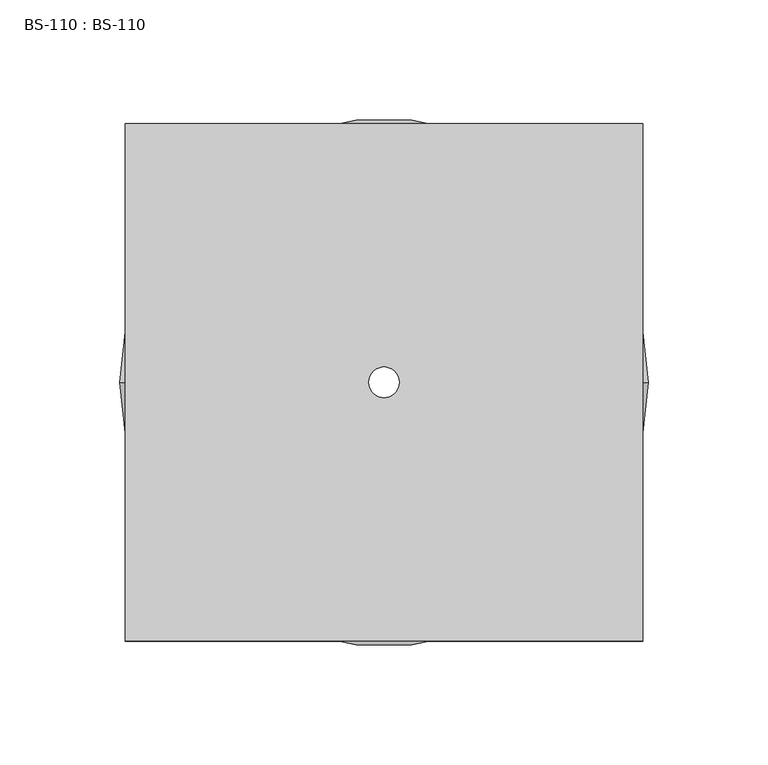
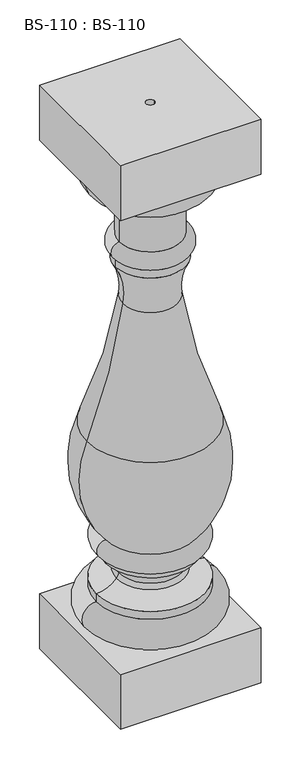
"""IFC4 building model written with IfcOpenShell, lengths in millimetres: proxy geometry, BS-110 : BS-110."""

import ifcopenshell
import ifcopenshell.guid

model = None  # the IFC model being written
_history = None  # IfcOwnerHistory: only IFC2X3 demands one
_inside = {}  # id of a spatial element -> (the spatial element, [elements in it])
_under = {}  # id of a project, library or spatial element -> (it, [spatial elements below it])
_declared = {}  # id of a project -> (the project, [libraries it declares])
_typed = {}  # id of a type object -> (the type object, [elements of that type])
_made_of = {}  # id of a material, layer set ... -> (it, [elements and type objects made of it])


def new_model(schema):
    """Start an empty IFC model of exactly this schema.

    Asked for "IFC4X3", IfcOpenShell would pick the latest addendum, in which some entities
    have other attributes; the version numbers below select the first issue.
    IFC2X3 requires an IfcOwnerHistory on every rooted entity: one is made here for all.
    """
    global model, _history
    if schema == "IFC4X3":
        model = ifcopenshell.file(schema_version=(4, 3, 0, 0))
    else:
        model = ifcopenshell.file(schema=schema)
    _inside.clear()
    _under.clear()
    _declared.clear()
    _typed.clear()
    _made_of.clear()
    _history = None
    if model.schema == "IFC2X3":
        org = make("IfcOrganization", Name="unknown")
        user = make(
            "IfcPersonAndOrganization",
            ThePerson=make("IfcPerson", FamilyName="unknown"),
            TheOrganization=org,
        )
        app = make(
            "IfcApplication",
            ApplicationDeveloper=org,
            Version="unknown",
            ApplicationFullName="unknown",
            ApplicationIdentifier="unknown",
        )
        _history = make(
            "IfcOwnerHistory",
            OwningUser=user,
            OwningApplication=app,
            ChangeAction="ADDED",
            CreationDate=0,
        )
    return model


def make(cls, **values):
    """One entity of the class cls with the attributes given. An attribute that is None is left unset."""
    return model.create_entity(
        cls, **{name: value for name, value in values.items() if value is not None}
    )


def rooted(cls, **values):
    """An entity with a GlobalId (a new one), such as an element, a storey or a relation."""
    return make(cls, GlobalId=ifcopenshell.guid.new(), OwnerHistory=_history, **values)


def si_unit(unit_type, name, prefix=None):
    """IfcSIUnit, for example si_unit("LENGTHUNIT", "METRE", prefix="MILLI")."""
    return make("IfcSIUnit", UnitType=unit_type, Prefix=prefix, Name=name)


def assignment(units):
    """IfcUnitAssignment: the units of a project."""
    return None if units is None else make("IfcUnitAssignment", Units=units)


def point(xyz):
    """IfcCartesianPoint."""
    return None if xyz is None else make("IfcCartesianPoint", Coordinates=xyz)


def direction(xyz):
    """IfcDirection."""
    return None if xyz is None else make("IfcDirection", DirectionRatios=xyz)


def frame(location, z_axis=None, x_axis=None):
    """IfcAxis2Placement3D, a coordinate frame: its origin and axes. An axis left out is left unset."""
    return make(
        "IfcAxis2Placement3D",
        Location=point(location),
        Axis=direction(z_axis),
        RefDirection=direction(x_axis),
    )


def origin():
    """The frame at (0, 0, 0) with its axes left unset."""
    return frame((0.0, 0.0, 0.0))


def origin_with_axes():
    """The frame at (0, 0, 0) with the z axis (0, 0, 1) and the x axis (1, 0, 0) written out."""
    return frame((0.0, 0.0, 0.0), z_axis=(0.0, 0.0, 1.0), x_axis=(1.0, 0.0, 0.0))


def place(relative_to, where):
    """IfcLocalPlacement: puts the frame where relative to a parent placement (None: the world)."""
    return make(
        "IfcLocalPlacement", PlacementRelTo=relative_to, RelativePlacement=where
    )


def context(
    kind, dimensions, precision=None, world=None, true_north=None, identifier=None
):
    """IfcGeometricRepresentationContext, for example the 3D "Model" context."""
    return make(
        "IfcGeometricRepresentationContext",
        ContextIdentifier=identifier,
        ContextType=kind,
        CoordinateSpaceDimension=dimensions,
        Precision=precision,
        WorldCoordinateSystem=world,
        TrueNorth=true_north,
    )


def project(units=None, contexts=None):
    """IfcProject with its units and contexts."""
    return rooted(
        "IfcProject",
        Name="project",
        RepresentationContexts=contexts,
        UnitsInContext=assignment(units),
    )


def spatial(cls, under=None, at=None, **own):
    """A site, building, storey or space (cls), placed at a placement, below another one or the project."""
    s = rooted(cls, ObjectPlacement=at, **own)
    if under is not None:
        _under.setdefault(under.id(), (under, []))[1].append(s)
    return s


def polyline(points):
    """IfcPolyline through the points."""
    return make("IfcPolyline", Points=[point(p) for p in points])


def circle_curve(where, radius):
    """IfcCircle in the frame where."""
    return make("IfcCircle", Position=where, Radius=radius)


def ellipse_curve(where, semi_axis1, semi_axis2):
    """IfcEllipse in the frame where."""
    return make(
        "IfcEllipse", Position=where, SemiAxis1=semi_axis1, SemiAxis2=semi_axis2
    )


def trimmed(basis, trim1, trim2, sense, master):
    """IfcTrimmedCurve: the piece of a basis curve between two trims."""
    return make(
        "IfcTrimmedCurve",
        BasisCurve=basis,
        Trim1=trim1,
        Trim2=trim2,
        SenseAgreement=sense,
        MasterRepresentation=master,
    )


def shape(context_of_items, identifier, shape_type, items):
    """IfcShapeRepresentation: the items that make up one representation, for example the "Body"."""
    return make(
        "IfcShapeRepresentation",
        ContextOfItems=context_of_items,
        RepresentationIdentifier=identifier,
        RepresentationType=shape_type,
        Items=items,
    )


def source(mapping_origin, context_of_items, identifier, shape_type, items):
    """IfcRepresentationMap: a shape defined once, which mapped items show again and again."""
    return make(
        "IfcRepresentationMap",
        MappingOrigin=mapping_origin,
        MappedRepresentation=shape(context_of_items, identifier, shape_type, items),
    )


def transform(
    local_origin,
    x_axis=None,
    y_axis=None,
    z_axis=None,
    scale=None,
    scale2=None,
    scale3=None,
    uniform=True,
):
    """IfcCartesianTransformationOperator3D, or its non-uniform kind. x_axis, y_axis, z_axis: its Axis1, 2, 3."""
    if uniform:
        return make(
            "IfcCartesianTransformationOperator3D",
            Axis1=direction(x_axis),
            Axis2=direction(y_axis),
            LocalOrigin=point(local_origin),
            Scale=scale,
            Axis3=direction(z_axis),
        )
    return make(
        "IfcCartesianTransformationOperator3DnonUniform",
        Axis1=direction(x_axis),
        Axis2=direction(y_axis),
        LocalOrigin=point(local_origin),
        Scale=scale,
        Axis3=direction(z_axis),
        Scale2=scale2,
        Scale3=scale3,
    )


def mapped(mapping_source, mapping_target):
    """IfcMappedItem: shows the shape of a source again, moved by a transform."""
    return make(
        "IfcMappedItem", MappingSource=mapping_source, MappingTarget=mapping_target
    )


def made_of(thing, what):
    """Note that an element or type object is made of a material, layer set ...; save() writes the relation."""
    if what is not None:
        _made_of.setdefault(what.id(), (what, []))[1].append(thing)
    return thing


def element(
    cls,
    number,
    at=None,
    inside=None,
    cuts=None,
    type_object=None,
    material=None,
    context=None,
    identifier="Body",
    shape_type=None,
    held_by="IfcProductDefinitionShape",
    body=None,
    shapes=None,
    **own,
):
    """One element of the class cls, such as IfcWall. Its Tag is "e" and its number.

    at: its placement. inside: the storey or other place that contains it. cuts: it is an
    opening in that element (IfcRelVoidsElement). A single representation is given by context,
    identifier, shape_type and body (its items); several are given by shapes. held_by: the class
    of the entity that holds the representations. save() writes the other relations.
    """
    e = rooted(cls, Tag="e%d" % number, ObjectPlacement=at, **own)
    if body is not None:
        shapes = [shape(context, identifier, shape_type, body)]
    if shapes is not None:
        e.Representation = make(held_by, Representations=shapes)
    if inside is not None:
        _inside.setdefault(inside.id(), (inside, []))[1].append(e)
    if cuts is not None:
        rooted(
            "IfcRelVoidsElement", RelatingBuildingElement=cuts, RelatedOpeningElement=e
        )
    if type_object is not None:
        _typed.setdefault(type_object.id(), (type_object, []))[1].append(e)
    return made_of(e, material)


def aggregate(whole, parts):
    """IfcRelAggregates: a whole, such as a stair, and the parts it consists of."""
    return rooted("IfcRelAggregates", RelatingObject=whole, RelatedObjects=parts)


def save(model, path):
    """Write the relations noted so far, then the file.

    IfcRelAggregates (storeys below a building ...), IfcRelContainedInSpatialStructure (elements
    in a storey), IfcRelDefinesByType, IfcRelAssociatesMaterial and IfcRelDeclares: one each for
    every whole, place, type object, material and project.
    """
    for whole, parts in _under.values():
        aggregate(whole, parts)
    for where, things in _inside.values():
        rooted(
            "IfcRelContainedInSpatialStructure",
            RelatedElements=things,
            RelatingStructure=where,
        )
    for kind, things in _typed.values():
        rooted("IfcRelDefinesByType", RelatedObjects=things, RelatingType=kind)
    for what, things in _made_of.values():
        rooted("IfcRelAssociatesMaterial", RelatedObjects=things, RelatingMaterial=what)
    for by, libraries in _declared.values():
        rooted("IfcRelDeclares", RelatingContext=by, RelatedDefinitions=libraries)
    model.write(path)


def plane_surface(at):
    """IfcPlane: the flat surface through the origin of the frame at, square to its z axis."""
    return make("IfcPlane", Position=at)


def cylinder_surface(at, radius):
    """IfcCylindricalSurface: all points at the distance radius from the z axis of the frame at."""
    return make("IfcCylindricalSurface", Position=at, Radius=radius)


def revolved_surface(curve, axis_point, axis_direction):
    """IfcSurfaceOfRevolution: the curve turned about the line through axis_point along axis_direction."""
    return make(
        "IfcSurfaceOfRevolution",
        SweptCurve=make("IfcArbitraryOpenProfileDef", ProfileType="CURVE", Curve=curve),
        AxisPosition=make("IfcAxis1Placement", Location=point(axis_point), Axis=direction(axis_direction)),
    )


def advanced_brep(points, edges, surfaces, faces):
    """IfcAdvancedBrep: a solid bounded by faces that lie on surfaces and meet in shared edges.

    An edge is (start, end): straight between two places in points (the first is 0);
    or (start, end, curve); or (start, end, curve, False) where it runs against its curve.
    A face is (place in surfaces, loops), or (place, loops, False) where it looks against
    its surface's normal. A loop lists edges by number (the first is 1), with a minus sign
    where the edge is run from its end to its start. The first loop is the outer one.
    """
    corners = [point(p) for p in points]
    vertices = [make("IfcVertexPoint", VertexGeometry=c) for c in corners]
    made = []
    for start, end, *more in edges:
        made.append(
            make(
                "IfcEdgeCurve",
                EdgeStart=vertices[start],
                EdgeEnd=vertices[end],
                EdgeGeometry=more[0] if more else make("IfcPolyline", Points=[corners[start], corners[end]]),
                SameSense=more[1] if len(more) > 1 else True,
            )
        )
    hull = []
    for where, loops, *sense in faces:
        bounds = []
        for j, loop in enumerate(loops):
            ring = [make("IfcOrientedEdge", EdgeElement=made[abs(k) - 1], Orientation=k > 0) for k in loop]
            bounds.append(
                make(
                    "IfcFaceOuterBound" if j == 0 else "IfcFaceBound",
                    Bound=make("IfcEdgeLoop", EdgeList=ring),
                    Orientation=True,
                )
            )
        hull.append(make("IfcAdvancedFace", Bounds=bounds, FaceSurface=surfaces[where], SameSense=sense[0] if sense else True))
    return make("IfcAdvancedBrep", Outer=make("IfcClosedShell", CfsFaces=hull))


def bs_110_bs_110_5b6a8872(model_context):
    return source(origin(), model_context, "Body", "AdvancedBrep", [
        advanced_brep(
        [(107.95, -107.95, 914.4), (107.95, 107.95, 914.4), (-107.95, 107.95, 914.4), (-107.95, -107.95, 914.4), (6.35, 0.0, 914.4), (-6.35, 0.0, 914.4), (107.95, -107.95, 825.5), (-107.95, -107.95, 825.5), (-107.95, 107.95, 825.5), (107.95, 107.95, 825.5), (101.6, 0.0, 825.5), (-101.6, 0.0, 825.5), (-47.625, 0.0, 768.35), (47.625, 0.0, 768.35), (47.625, 0.0, 704.85), (-47.625, 0.0, 704.85), (-53.9585709, 0.0, 774.7), (53.9585709, 0.0, 774.7), (-83.2336424, 0.0, 133.35), (83.2336424, 0.0, 133.35), (83.2336424, 0.0, 88.9), (-83.2336424, 0.0, 88.9), (-83.2336424, 0.0, 146.05), (83.2336424, 0.0, 146.05), (-52.4193279, 0.0, 160.2177216), (52.4193279, 0.0, 160.2177216), (-48.4255131, 0.0, 167.5720431), (48.4255131, 0.0, 167.5720431), (-68.5916904, 0.0, 190.5), (68.5916904, 0.0, 190.5), (-68.5916904, 0.0, 200.025), (68.5916904, 0.0, 200.025), (-68.5916904, 0.0, 228.6762), (68.5916904, 0.0, 228.6762), (-98.1040557, 0.0, 398.4421744), (98.1040557, 0.0, 398.4421744), (-42.3449544, 0.0, 602.685172), (42.3449544, 0.0, 602.685172), (-53.8859703, 0.0, 666.75), (53.8859703, 0.0, 666.75), (-53.8859703, 0.0, 679.45), (53.8859703, 0.0, 679.45), (107.95, -107.95, 88.9), (107.95, 107.95, 88.9), (-107.95, 107.95, 88.9), (-107.95, -107.95, 88.9), (107.95, -107.95, 0.0), (-107.95, -107.95, 0.0), (-107.95, 107.95, 0.0), (107.95, 107.95, 0.0), (-6.35, 0.0, 0.0), (6.35, 0.0, 0.0)],
        [
            (0, 1),
            (1, 2),
            (2, 3),
            (3, 0),
            (4, 5, circle_curve(frame((0.0, 0.0, 914.4), z_axis=(0.0, 0.0, -1.0), x_axis=(1.0, 0.0, 0.0)), 6.35)),
            (5, 4, circle_curve(frame((0.0, 0.0, 914.4), z_axis=(0.0, 0.0, -1.0), x_axis=(1.0, 0.0, 0.0)), 6.35)),
            (6, 7),
            (7, 8),
            (8, 9),
            (9, 6),
            (10, 11, circle_curve(frame((0.0, 0.0, 825.5), z_axis=(0.0, 0.0, 1.0), x_axis=(1.0, 0.0, 0.0)), 101.6)),
            (11, 10, circle_curve(frame((0.0, 0.0, 825.5), z_axis=(0.0, 0.0, 1.0), x_axis=(1.0, 0.0, 0.0)), 101.6)),
            (0, 6),
            (9, 1),
            (8, 2),
            (7, 3),
            (12, 13, circle_curve(frame((0.0, 0.0, 768.35), z_axis=(0.0, 0.0, -1.0), x_axis=(1.0, 0.0, 0.0)), 47.625)),
            (13, 14),
            (14, 15, circle_curve(frame((0.0, 0.0, 704.85), z_axis=(0.0, 0.0, 1.0), x_axis=(1.0, 0.0, 0.0)), 47.625)),
            (15, 12),
            (13, 12, circle_curve(frame((0.0, 0.0, 768.35), z_axis=(0.0, 0.0, -1.0), x_axis=(1.0, 0.0, 0.0)), 47.625)),
            (15, 14, circle_curve(frame((0.0, 0.0, 704.85), z_axis=(0.0, 0.0, 1.0), x_axis=(1.0, 0.0, 0.0)), 47.625)),
            (12, 16, circle_curve(frame((-46.6657573, 0.0, 775.6403531), z_axis=(0.0, 1.0, 0.0), x_axis=(-1.0, 0.0, 0.0)), 7.3531894)),
            (16, 17, circle_curve(frame((0.0, 0.0, 774.7), z_axis=(0.0, 0.0, -1.0), x_axis=(1.0, 0.0, 0.0)), 53.9585709)),
            (17, 13, circle_curve(frame((46.6657573, 0.0, 775.6403531), z_axis=(0.0, 1.0, 0.0), x_axis=(1.0, 0.0, 0.0)), 7.3531894)),
            (17, 16, circle_curve(frame((0.0, 0.0, 774.7), z_axis=(0.0, 0.0, -1.0), x_axis=(1.0, 0.0, 0.0)), 53.9585709)),
            (16, 11, circle_curve(frame((-51.5866876, 0.0, 824.6640314), z_axis=(0.0, 1.0, 0.0), x_axis=(-1.0, 0.0, 0.0)), 50.0202985)),
            (10, 17, circle_curve(frame((51.5866876, 0.0, 824.6640314), z_axis=(0.0, 1.0, 0.0), x_axis=(1.0, 0.0, 0.0)), 50.0202985)),
            (18, 19, circle_curve(frame((0.0, 0.0, 133.35), z_axis=(0.0, 0.0, -1.0), x_axis=(1.0, 0.0, 0.0)), 83.2336424)),
            (19, 20, circle_curve(frame((83.2336424, 0.0, 111.125), z_axis=(0.0, 1.0, 0.0), x_axis=(1.0, 0.0, 0.0)), 22.225)),
            (20, 21, circle_curve(frame((0.0, 0.0, 88.9), z_axis=(0.0, 0.0, 1.0), x_axis=(1.0, 0.0, 0.0)), 83.2336424)),
            (21, 18, circle_curve(frame((-83.2336424, 0.0, 111.125), z_axis=(0.0, 1.0, 0.0), x_axis=(-1.0, 0.0, 0.0)), 22.225)),
            (19, 18, circle_curve(frame((0.0, 0.0, 133.35), z_axis=(0.0, 0.0, -1.0), x_axis=(1.0, 0.0, 0.0)), 83.2336424)),
            (21, 20, circle_curve(frame((0.0, 0.0, 88.9), z_axis=(0.0, 0.0, 1.0), x_axis=(1.0, 0.0, 0.0)), 83.2336424)),
            (18, 22),
            (22, 23, circle_curve(frame((0.0, 0.0, 146.05), z_axis=(0.0, 0.0, -1.0), x_axis=(1.0, 0.0, 0.0)), 83.2336424)),
            (23, 19),
            (23, 22, circle_curve(frame((0.0, 0.0, 146.05), z_axis=(0.0, 0.0, -1.0), x_axis=(1.0, 0.0, 0.0)), 83.2336424)),
            (22, 24, circle_curve(frame((-84.7760842, 0.0, 189.9986647), z_axis=(0.0, -1.0, 0.0), x_axis=(-1.0, 0.0, 0.0)), 43.9757235)),
            (24, 25, circle_curve(frame((0.0, 0.0, 160.2177216), z_axis=(0.0, 0.0, -1.0), x_axis=(1.0, 0.0, 0.0)), 52.4193279)),
            (25, 23, circle_curve(frame((84.7760842, 0.0, 189.9986647), z_axis=(0.0, -1.0, 0.0), x_axis=(1.0, 0.0, 0.0)), 43.9757235)),
            (25, 24, circle_curve(frame((0.0, 0.0, 160.2177216), z_axis=(0.0, 0.0, -1.0), x_axis=(1.0, 0.0, 0.0)), 52.4193279)),
            (24, 26, circle_curve(frame((-65.0382907, 0.0, 171.832131), z_axis=(0.0, -1.0, 0.0), x_axis=(-1.0, 0.0, 0.0)), 17.1502982)),
            (26, 27, circle_curve(frame((0.0, 0.0, 167.5720431), z_axis=(0.0, 0.0, -1.0), x_axis=(1.0, 0.0, 0.0)), 48.4255131)),
            (27, 25, circle_curve(frame((65.0382907, 0.0, 171.832131), z_axis=(0.0, -1.0, 0.0), x_axis=(1.0, 0.0, 0.0)), 17.1502982)),
            (27, 26, circle_curve(frame((0.0, 0.0, 167.5720431), z_axis=(0.0, 0.0, -1.0), x_axis=(1.0, 0.0, 0.0)), 48.4255131)),
            (26, 28, circle_curve(frame((-66.3241703, 0.0, 172.1618747), z_axis=(0.0, -1.0, 0.0), x_axis=(-1.0, 0.0, 0.0)), 18.4777836)),
            (28, 29, circle_curve(frame((0.0, 0.0, 190.5), z_axis=(0.0, 0.0, -1.0), x_axis=(1.0, 0.0, 0.0)), 68.5916904)),
            (29, 27, circle_curve(frame((66.3241703, 0.0, 172.1618747), z_axis=(0.0, -1.0, 0.0), x_axis=(1.0, 0.0, 0.0)), 18.4777836)),
            (29, 28, circle_curve(frame((0.0, 0.0, 190.5), z_axis=(0.0, 0.0, -1.0), x_axis=(1.0, 0.0, 0.0)), 68.5916904)),
            (28, 30),
            (30, 31, circle_curve(frame((0.0, 0.0, 200.025), z_axis=(0.0, 0.0, -1.0), x_axis=(1.0, 0.0, 0.0)), 68.5916904)),
            (31, 29),
            (31, 30, circle_curve(frame((0.0, 0.0, 200.025), z_axis=(0.0, 0.0, -1.0), x_axis=(1.0, 0.0, 0.0)), 68.5916904)),
            (30, 32, circle_curve(frame((-68.5916904, 0.0, 214.3506), z_axis=(0.0, 1.0, 0.0), x_axis=(-1.0, 0.0, 0.0)), 14.3256)),
            (32, 33, circle_curve(frame((0.0, 0.0, 228.6762), z_axis=(0.0, 0.0, -1.0), x_axis=(1.0, 0.0, 0.0)), 68.5916904)),
            (33, 31, circle_curve(frame((68.5916904, 0.0, 214.3506), z_axis=(0.0, 1.0, 0.0), x_axis=(1.0, 0.0, 0.0)), 14.3256)),
            (33, 32, circle_curve(frame((0.0, 0.0, 228.6762), z_axis=(0.0, 0.0, -1.0), x_axis=(1.0, 0.0, 0.0)), 68.5916904)),
            (32, 34, circle_curve(frame((52.2915614, 0.0, 337.1389449), z_axis=(0.0, 1.0, 0.0), x_axis=(-1.0, 0.0, 0.0)), 162.4097522)),
            (34, 35, circle_curve(frame((0.0, 0.0, 398.4421744), z_axis=(0.0, 0.0, -1.0), x_axis=(1.0, 0.0, 0.0)), 98.1040557)),
            (35, 33, circle_curve(frame((-52.2915614, 0.0, 337.1389449), z_axis=(0.0, 1.0, 0.0), x_axis=(1.0, 0.0, 0.0)), 162.4097522)),
            (35, 34, circle_curve(frame((0.0, 0.0, 398.4421744), z_axis=(0.0, 0.0, -1.0), x_axis=(1.0, 0.0, 0.0)), 98.1040557)),
            (34, 36, circle_curve(frame((-913.297627, 0.0, 730.7257847), z_axis=(0.0, -1.0, 0.0), x_axis=(-1.0, 0.0, 0.0)), 880.3141237)),
            (36, 37, circle_curve(frame((0.0, 0.0, 602.685172), z_axis=(0.0, 0.0, -1.0), x_axis=(1.0, 0.0, 0.0)), 42.3449544)),
            (37, 35, circle_curve(frame((913.297627, 0.0, 730.7257847), z_axis=(0.0, -1.0, 0.0), x_axis=(1.0, 0.0, 0.0)), 880.3141237)),
            (37, 36, circle_curve(frame((0.0, 0.0, 602.685172), z_axis=(0.0, 0.0, -1.0), x_axis=(1.0, 0.0, 0.0)), 42.3449544)),
            (36, 38, circle_curve(frame((-143.433554, 0.0, 617.546423), z_axis=(0.0, -1.0, 0.0), x_axis=(-1.0, 0.0, 0.0)), 102.1751523)),
            (38, 39, circle_curve(frame((0.0, 0.0, 666.75), z_axis=(0.0, 0.0, -1.0), x_axis=(1.0, 0.0, 0.0)), 53.8859703)),
            (39, 37, circle_curve(frame((143.433554, 0.0, 617.546423), z_axis=(0.0, -1.0, 0.0), x_axis=(1.0, 0.0, 0.0)), 102.1751523)),
            (39, 38, circle_curve(frame((0.0, 0.0, 666.75), z_axis=(0.0, 0.0, -1.0), x_axis=(1.0, 0.0, 0.0)), 53.8859703)),
            (38, 40),
            (40, 41, circle_curve(frame((0.0, 0.0, 679.45), z_axis=(0.0, 0.0, -1.0), x_axis=(1.0, 0.0, 0.0)), 53.8859703)),
            (41, 39),
            (41, 40, circle_curve(frame((0.0, 0.0, 679.45), z_axis=(0.0, 0.0, -1.0), x_axis=(1.0, 0.0, 0.0)), 53.8859703)),
            (14, 41, circle_curve(frame((47.0844977, 0.0, 691.2451204), z_axis=(0.0, 1.0, 0.0), x_axis=(1.0, 0.0, 0.0)), 13.6156121)),
            (40, 15, circle_curve(frame((-47.0844977, 0.0, 691.2451204), z_axis=(0.0, 1.0, 0.0), x_axis=(-1.0, 0.0, 0.0)), 13.6156121)),
            (42, 43),
            (43, 44),
            (44, 45),
            (45, 42),
            (46, 47),
            (47, 48),
            (48, 49),
            (49, 46),
            (50, 51, circle_curve(origin_with_axes(), 6.35)),
            (51, 50, circle_curve(origin_with_axes(), 6.35)),
            (42, 46),
            (49, 43),
            (48, 44),
            (47, 45),
            (4, 51),
            (50, 5),
        ],
        [
            plane_surface(frame((107.95, -107.95, 914.4), z_axis=(0.0, 0.0, 1.0), x_axis=(0.0, 1.0, 0.0))),
            plane_surface(frame((107.95, -107.95, 825.5), z_axis=(0.0, 0.0, -1.0), x_axis=(0.0, -1.0, 0.0))),
            plane_surface(frame((107.95, -107.95, 914.4), z_axis=(1.0, 0.0, 0.0), x_axis=(0.0, 0.0, -1.0))),
            plane_surface(frame((107.95, 107.95, 914.4), z_axis=(0.0, 1.0, 0.0), x_axis=(0.0, 0.0, -1.0))),
            plane_surface(frame((-107.95, 107.95, 914.4), z_axis=(-1.0, 0.0, 0.0), x_axis=(0.0, 0.0, -1.0))),
            plane_surface(frame((-107.95, -107.95, 914.4), z_axis=(0.0, -1.0, 0.0), x_axis=(0.0, 0.0, -1.0))),
            cylinder_surface(frame((0.0, 0.0, 2108.2), z_axis=(0.0, 0.0, 1.0), x_axis=(1.0, 0.0, 0.0)), 47.625),
            revolved_surface(trimmed(ellipse_curve(frame((46.6657573, 0.0, 775.6403531), z_axis=(0.0, -1.0, 0.0), x_axis=(1.0, 0.0, 0.0)), 7.3531894, 7.3531894), [point((47.625, 0.0, 768.35))], [point((53.9585709, 0.0, 774.7))], True, "CARTESIAN"), (0.0, 0.0, 2108.2), (0.0, 0.0, 1.0)),
            revolved_surface(trimmed(ellipse_curve(frame((51.5866876, 0.0, 824.6640314), z_axis=(0.0, -1.0, 0.0), x_axis=(1.0, 0.0, 0.0)), 50.0202985, 50.0202985), [point((53.9585709, 0.0, 774.7))], [point((101.6, 0.0, 825.5))], True, "CARTESIAN"), (0.0, 0.0, 2108.2), (0.0, 0.0, 1.0)),
            revolved_surface(trimmed(ellipse_curve(frame((83.2336424, 0.0, 111.125), z_axis=(0.0, -1.0, 0.0), x_axis=(1.0, 0.0, 0.0)), 22.225, 22.225), [point((83.2336424, 0.0, 88.9))], [point((83.2336424, 0.0, 133.35))], True, "CARTESIAN"), (0.0, 0.0, 2108.2), (0.0, 0.0, 1.0)),
            cylinder_surface(frame((0.0, 0.0, 2108.2), z_axis=(0.0, 0.0, 1.0), x_axis=(1.0, 0.0, 0.0)), 83.2336424),
            revolved_surface(trimmed(ellipse_curve(frame((84.7760842, 0.0, 189.9986647), z_axis=(0.0, 1.0, 0.0), x_axis=(1.0, 0.0, 0.0)), 43.9757235, 43.9757235), [point((83.2336424, 0.0, 146.05))], [point((52.4193279, 0.0, 160.2177216))], True, "CARTESIAN"), (0.0, 0.0, 2108.2), (0.0, 0.0, 1.0)),
            revolved_surface(trimmed(ellipse_curve(frame((65.0382907, 0.0, 171.832131), z_axis=(0.0, 1.0, 0.0), x_axis=(1.0, 0.0, 0.0)), 17.1502982, 17.1502982), [point((52.4193279, 0.0, 160.2177216))], [point((48.4255131, 0.0, 167.5720431))], True, "CARTESIAN"), (0.0, 0.0, 2108.2), (0.0, 0.0, 1.0)),
            revolved_surface(trimmed(ellipse_curve(frame((66.3241703, 0.0, 172.1618747), z_axis=(0.0, 1.0, 0.0), x_axis=(1.0, 0.0, 0.0)), 18.4777836, 18.4777836), [point((48.4255131, 0.0, 167.5720431))], [point((68.5916904, 0.0, 190.5))], True, "CARTESIAN"), (0.0, 0.0, 2108.2), (0.0, 0.0, 1.0)),
            cylinder_surface(frame((0.0, 0.0, 2108.2), z_axis=(0.0, 0.0, 1.0), x_axis=(1.0, 0.0, 0.0)), 68.5916904),
            revolved_surface(trimmed(ellipse_curve(frame((68.5916904, 0.0, 214.3506), z_axis=(0.0, -1.0, 0.0), x_axis=(1.0, 0.0, 0.0)), 14.3256, 14.3256), [point((68.5916904, 0.0, 200.025))], [point((68.5916904, 0.0, 228.6762))], True, "CARTESIAN"), (0.0, 0.0, 2108.2), (0.0, 0.0, 1.0)),
            revolved_surface(trimmed(ellipse_curve(frame((-52.2915614, 0.0, 337.1389449), z_axis=(0.0, -1.0, 0.0), x_axis=(1.0, 0.0, 0.0)), 162.4097522, 162.4097522), [point((68.5916904, 0.0, 228.6762))], [point((98.1040557, 0.0, 398.4421744))], True, "CARTESIAN"), (0.0, 0.0, 2108.2), (0.0, 0.0, 1.0)),
            revolved_surface(trimmed(ellipse_curve(frame((913.297627, 0.0, 730.7257847), z_axis=(0.0, 1.0, 0.0), x_axis=(1.0, 0.0, 0.0)), 880.3141237, 880.3141237), [point((98.1040557, 0.0, 398.4421744))], [point((42.3449544, 0.0, 602.685172))], True, "CARTESIAN"), (0.0, 0.0, 2108.2), (0.0, 0.0, 1.0)),
            revolved_surface(trimmed(ellipse_curve(frame((143.433554, 0.0, 617.546423), z_axis=(0.0, 1.0, 0.0), x_axis=(1.0, 0.0, 0.0)), 102.1751523, 102.1751523), [point((42.3449544, 0.0, 602.685172))], [point((53.8859703, 0.0, 666.75))], True, "CARTESIAN"), (0.0, 0.0, 2108.2), (0.0, 0.0, 1.0)),
            cylinder_surface(frame((0.0, 0.0, 2108.2), z_axis=(0.0, 0.0, 1.0), x_axis=(1.0, 0.0, 0.0)), 53.8859703),
            revolved_surface(trimmed(ellipse_curve(frame((47.0844977, 0.0, 691.2451204), z_axis=(0.0, -1.0, 0.0), x_axis=(1.0, 0.0, 0.0)), 13.6156121, 13.6156121), [point((53.8859703, 0.0, 679.45))], [point((47.625, 0.0, 704.85))], True, "CARTESIAN"), (0.0, 0.0, 2108.2), (0.0, 0.0, 1.0)),
            plane_surface(frame((107.95, -107.95, 88.9), z_axis=(0.0, 0.0, 1.0), x_axis=(0.0, 1.0, 0.0))),
            plane_surface(frame((107.95, -107.95, 0.0), z_axis=(0.0, 0.0, -1.0), x_axis=(0.0, -1.0, 0.0))),
            plane_surface(frame((107.95, -107.95, 88.9), z_axis=(1.0, 0.0, 0.0), x_axis=(0.0, 0.0, -1.0))),
            plane_surface(frame((107.95, 107.95, 88.9), z_axis=(0.0, 1.0, 0.0), x_axis=(0.0, 0.0, -1.0))),
            plane_surface(frame((-107.95, 107.95, 88.9), z_axis=(-1.0, 0.0, 0.0), x_axis=(0.0, 0.0, -1.0))),
            plane_surface(frame((-107.95, -107.95, 88.9), z_axis=(0.0, -1.0, 0.0), x_axis=(0.0, 0.0, -1.0))),
            revolved_surface(polyline([(6.35, 0.0, 914.4), (6.35, 0.0, 0.0)]), (0.0, 0.0, 0.0), (0.0, 0.0, 1.0)),
        ],
        [
            (0, [[1, 2, 3, 4], [5, 6]]),
            (1, [[7, 8, 9, 10], [11, 12]]),
            (2, [[-1, 13, -10, 14]]),
            (3, [[-2, -14, -9, 15]]),
            (4, [[-3, -15, -8, 16]]),
            (5, [[-4, -16, -7, -13]]),
            (6, [[17, 18, 19, 20]]),
            (6, [[-18, 21, -20, 22]]),
            (7, [[-17, 23, 24, 25]]),
            (7, [[-21, -25, 26, -23]]),
            (8, [[-24, 27, -11, 28]]),
            (8, [[-26, -28, -12, -27]]),
            (9, [[29, 30, 31, 32]]),
            (9, [[-30, 33, -32, 34]]),
            (10, [[-29, 35, 36, 37]]),
            (10, [[-33, -37, 38, -35]]),
            (11, [[-36, 39, 40, 41]]),
            (11, [[-38, -41, 42, -39]]),
            (12, [[-40, 43, 44, 45]]),
            (12, [[-42, -45, 46, -43]]),
            (13, [[-44, 47, 48, 49]]),
            (13, [[-46, -49, 50, -47]]),
            (14, [[-48, 51, 52, 53]]),
            (14, [[-50, -53, 54, -51]]),
            (15, [[-52, 55, 56, 57]]),
            (15, [[-54, -57, 58, -55]]),
            (16, [[-56, 59, 60, 61]]),
            (16, [[-58, -61, 62, -59]]),
            (17, [[-60, 63, 64, 65]]),
            (17, [[-62, -65, 66, -63]]),
            (18, [[-64, 67, 68, 69]]),
            (18, [[-66, -69, 70, -67]]),
            (19, [[-68, 71, 72, 73]]),
            (19, [[-70, -73, 74, -71]]),
            (20, [[-19, 75, -72, 76]]),
            (20, [[-22, -76, -74, -75]]),
            (21, [[77, 78, 79, 80], [-31, -34]]),
            (22, [[81, 82, 83, 84], [85, 86]]),
            (23, [[-77, 87, -84, 88]]),
            (24, [[-78, -88, -83, 89]]),
            (25, [[-79, -89, -82, 90]]),
            (26, [[-80, -90, -81, -87]]),
            (27, [[91, -85, 92, -5]]),
            (27, [[-91, -6, -92, -86]]),
        ],
    ),
    ])


if __name__ == "__main__":
    model = new_model("IFC4")
    model_context = context("Model", 3, world=origin())
    ifc_project = project(units=[si_unit("LENGTHUNIT", "METRE", prefix="MILLI")], contexts=[model_context])
    site = spatial("IfcSite", under=ifc_project)
    building = spatial("IfcBuilding", under=site)
    placement = place(None, origin())
    bs_110_bs_110_shape = bs_110_bs_110_5b6a8872(model_context)
    element("IfcBuildingElementProxy", 1, Name="BS-110 : BS-110", ObjectType="BS-110 : BS-110", at=placement, inside=building, context=model_context, shape_type="MappedRepresentation", body=[
        mapped(bs_110_bs_110_shape, transform((0.0, 0.0, 0.0), x_axis=(1.0, 0.0, 0.0), y_axis=(0.0, 1.0, 0.0), z_axis=(0.0, 0.0, 1.0))),
    ])
    save(model, "model.ifc")
